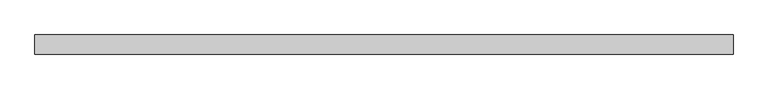
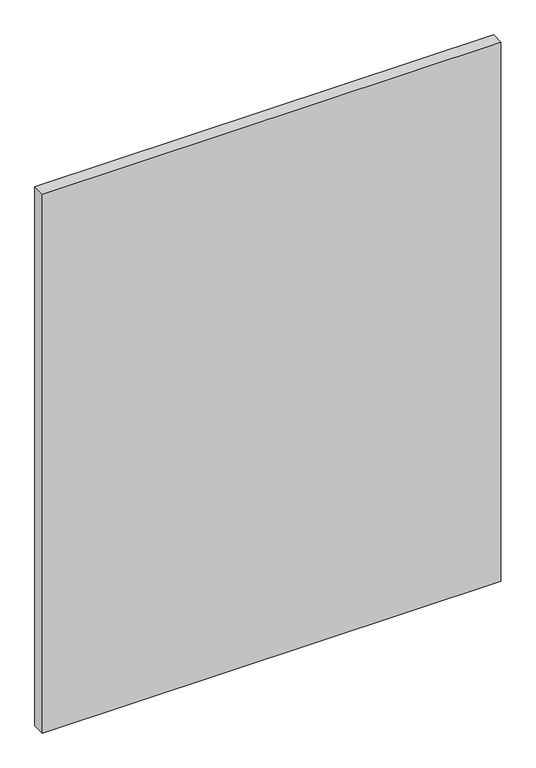
"""IFC4 building model written with IfcOpenShell, lengths in millimetres: plate geometry."""

from ifc_helpers import new_model, si_unit, origin, origin_with_axes, place, context, project, spatial, polyline, outline, extrude, source, transform, mapped, element, save


def plate_d1c239d2(model_context):
    return source(origin(), model_context, "Body", "SweptSolid", [
        extrude(outline(polyline([(708.9397034, -19.84375), (-708.9397034, -19.84375), (-708.9397034, 19.84375), (708.9397034, 19.84375), (708.9397034, -19.84375)])), origin_with_axes(), (0.0, 0.0, 1.0), 1761.3),
    ])


if __name__ == "__main__":
    model = new_model("IFC4")
    model_context = context("Model", 3, world=origin())
    ifc_project = project(units=[si_unit("LENGTHUNIT", "METRE", prefix="MILLI")], contexts=[model_context])
    site = spatial("IfcSite", under=ifc_project)
    building = spatial("IfcBuilding", under=site)
    placement = place(None, origin())
    plate_shape = plate_d1c239d2(model_context)
    element("IfcPlate", 1, at=placement, inside=building, context=model_context, shape_type="MappedRepresentation", body=[
        mapped(plate_shape, transform((0.0, 0.0, 0.0), x_axis=(1.0, 0.0, 0.0), y_axis=(0.0, 1.0, 0.0), z_axis=(0.0, 0.0, 1.0))),
    ])
    save(model, "model.ifc")
